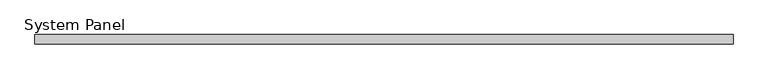
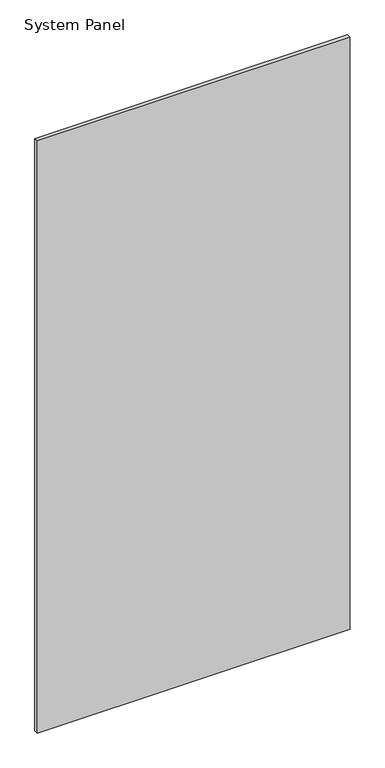
"""IFC4 building model written with IfcOpenShell, lengths in millimetres: plate geometry, System Panel."""

from ifc_helpers import new_model, si_unit, origin, origin_with_axes, place, context, project, spatial, polyline, outline, extrude, source, transform, mapped, element, save


def system_panel_2b239fe5(model_context):
    return source(origin(), model_context, "Body", "SweptSolid", [
        extrude(outline(polyline([(597.5, -8.0), (-597.5, -8.0), (-597.5, 8.0), (597.5, 8.0), (597.5, -8.0)])), origin_with_axes(), (0.0, 0.0, 1.0), 2390.0),
    ])


if __name__ == "__main__":
    model = new_model("IFC4")
    model_context = context("Model", 3, world=origin())
    ifc_project = project(units=[si_unit("LENGTHUNIT", "METRE", prefix="MILLI")], contexts=[model_context])
    site = spatial("IfcSite", under=ifc_project)
    building = spatial("IfcBuilding", under=site)
    placement = place(None, origin())
    system_panel_shape = system_panel_2b239fe5(model_context)
    element("IfcPlate", 1, ObjectType="System Panel", at=placement, inside=building, context=model_context, shape_type="MappedRepresentation", body=[
        mapped(system_panel_shape, transform((0.0, 0.0, 0.0), x_axis=(1.0, 0.0, 0.0), y_axis=(0.0, 1.0, 0.0), z_axis=(0.0, 0.0, 1.0))),
    ])
    save(model, "model.ifc")
